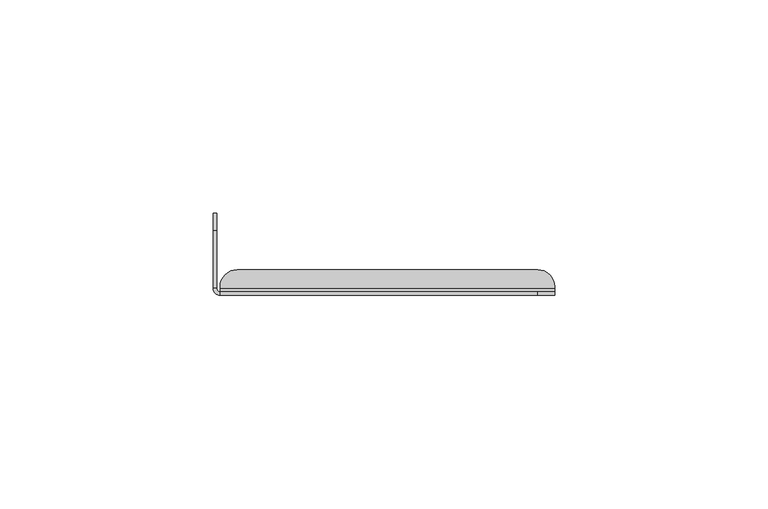
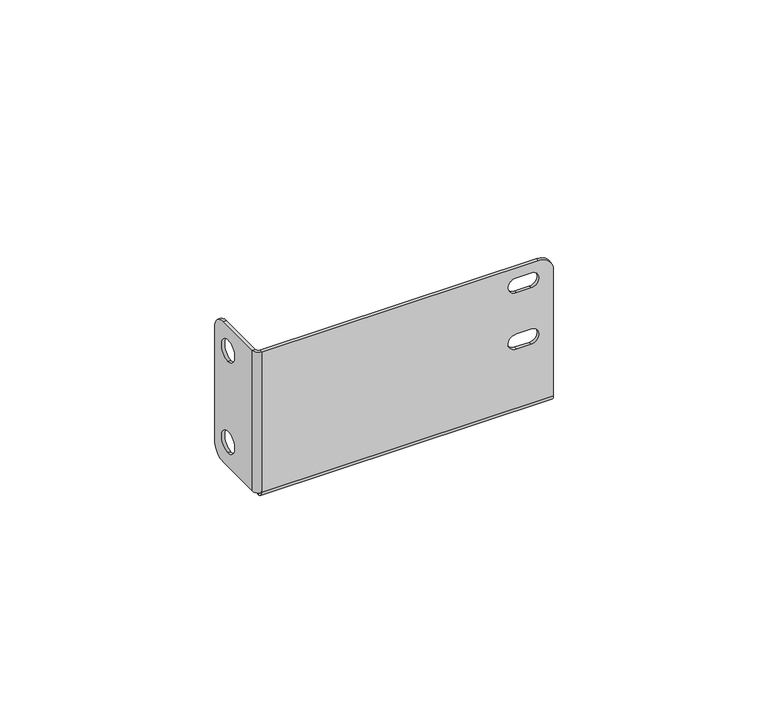
"""IFC4 building model written with IfcOpenShell, lengths in millimetres: proxy geometry."""

from ifc_helpers import new_model, si_unit, frame, origin, place, context, project, spatial, polyline, circle_curve, source, transform, mapped, element, save
from ifc_brep_helpers import plane_surface, cylinder_surface, revolved_surface, advanced_brep


def generic_models_af5c6fd1(model_context):
    return source(origin(), model_context, "Body", "AdvancedBrep", [
        advanced_brep(
        [(0.8, 13.0, 10.0), (0.0, 13.0, 10.0), (0.0, 13.0, 4.0), (0.8, 13.0, 4.0), (0.8, 13.0, 36.0), (0.0, 13.0, 36.0), (0.0, 13.0, 30.0), (0.8, 13.0, 30.0), (80.0, 0.8, 36.0), (76.0, 0.8, 40.0), (76.0, 0.0, 40.0), (80.0, 0.0, 36.0), (1.6, 0.8, 40.0), (1.6, 0.0, 40.0), (80.0, 0.8, 0.0), (1.6, 0.8, 0.0), (74.0, 0.8, 21.1), (70.0, 0.8, 21.1), (70.0, 0.8, 16.9), (74.0, 0.8, 16.9), (74.0, 0.8, 37.1), (70.0, 0.8, 37.1), (70.0, 0.8, 32.9), (74.0, 0.8, 32.9), (80.0, 2.0, -1.6), (76.0, 6.0, -1.6), (76.0, 6.0, -0.8), (80.0, 2.0, -0.8), (80.0, 1.6, -0.8), (80.0, 1.6, -1.6), (5.6, 6.0, -0.8), (1.6, 2.0, -0.8), (1.6, 1.6, -0.8), (5.6, 6.0, -1.6), (1.6, 2.0, -1.6), (1.6, 1.6, -1.6), (0.8, 19.2, 4.0), (0.8, 15.2, 0.0), (0.0, 15.2, 0.0), (0.0, 19.2, 4.0), (0.8, 19.2, 36.0), (0.8, 15.2, 40.0), (0.8, 1.6, 40.0), (0.8, 1.6, 0.0), (0.0, 19.2, 36.0), (0.0, 15.2, 40.0), (80.0, 0.0, 0.0), (1.6, 0.0, 0.0), (74.0, 0.0, 37.1), (70.0, 0.0, 37.1), (74.0, 0.0, 32.9), (70.0, 0.0, 32.9), (74.0, 0.0, 21.1), (70.0, 0.0, 21.1), (74.0, 0.0, 16.9), (70.0, 0.0, 16.9), (0.0, 1.6, 40.0), (0.0, 1.6, 0.0)],
        [
            (0, 1),
            (1, 2, circle_curve(frame((0.0, 13.0, 7.0), z_axis=(-1.0, 0.0, 0.0), x_axis=(0.0, 0.0, 1.0)), 3.0)),
            (2, 3),
            (3, 0, circle_curve(frame((0.8, 13.0, 7.0), z_axis=(1.0, 0.0, 0.0), x_axis=(0.0, 0.0, 1.0)), 3.0)),
            (4, 5),
            (5, 6, circle_curve(frame((0.0, 13.0, 33.0), z_axis=(-1.0, 0.0, 0.0), x_axis=(0.0, 0.0, 1.0)), 3.0)),
            (6, 7),
            (7, 4, circle_curve(frame((0.8, 13.0, 33.0), z_axis=(1.0, 0.0, 0.0), x_axis=(0.0, 0.0, 1.0)), 3.0)),
            (8, 9, circle_curve(frame((76.0, 0.8, 36.0), z_axis=(0.0, -1.0, 0.0), x_axis=(0.7071067811865483, 0.0, 0.7071067811865467)), 4.0)),
            (9, 10),
            (10, 11, circle_curve(frame((76.0, 0.0, 36.0), z_axis=(0.0, 1.0, 0.0), x_axis=(0.7071067811865483, 0.0, 0.7071067811865467)), 4.0)),
            (11, 8),
            (9, 12),
            (12, 13),
            (13, 10),
            (8, 14),
            (14, 15),
            (15, 12),
            (16, 17),
            (17, 18, circle_curve(frame((70.0, 0.8, 19.0), z_axis=(0.0, -1.0, 0.0), x_axis=(0.0, 0.0, 1.0)), 2.1)),
            (18, 19),
            (19, 16, circle_curve(frame((74.0, 0.8, 19.0), z_axis=(0.0, -1.0, 0.0), x_axis=(0.0, 0.0, -1.0)), 2.1)),
            (20, 21),
            (21, 22, circle_curve(frame((70.0, 0.8, 35.0), z_axis=(0.0, -1.0, 0.0), x_axis=(0.0, 0.0, 1.0)), 2.1)),
            (22, 23),
            (23, 20, circle_curve(frame((74.0, 0.8, 35.0), z_axis=(0.0, -1.0, 0.0), x_axis=(0.0, 0.0, -1.0)), 2.1)),
            (24, 25, circle_curve(frame((76.0, 2.0, -1.6), z_axis=(0.0, 0.0, 1.0), x_axis=(0.7071067811865478, 0.7071067811865471, 0.0)), 4.0)),
            (25, 26),
            (26, 27, circle_curve(frame((76.0, 2.0, -0.8), z_axis=(0.0, 0.0, -1.0), x_axis=(0.7071067811865478, 0.7071067811865471, 0.0)), 4.0)),
            (27, 24),
            (27, 28),
            (28, 29),
            (29, 24),
            (26, 30),
            (30, 31, circle_curve(frame((5.6, 2.0, -0.8), z_axis=(0.0, 0.0, 1.0), x_axis=(-0.7071067811865483, 0.7071067811865467, 0.0)), 4.0)),
            (31, 32),
            (32, 28),
            (33, 34, circle_curve(frame((5.6, 2.0, -1.6), z_axis=(0.0, 0.0, 1.0), x_axis=(-0.7071067811865483, 0.7071067811865467, 0.0)), 4.0)),
            (34, 31),
            (30, 33),
            (34, 35),
            (35, 32),
            (36, 37, circle_curve(frame((0.8, 15.2, 4.0), z_axis=(-1.0, 0.0, 0.0), x_axis=(0.0, 0.7071067811865472, -0.7071067811865477)), 4.0)),
            (37, 38),
            (38, 39, circle_curve(frame((0.0, 15.2, 4.0), z_axis=(1.0, 0.0, 0.0), x_axis=(0.0, 0.7071067811865472, -0.7071067811865477)), 4.0)),
            (39, 36),
            (36, 40),
            (40, 41, circle_curve(frame((0.8, 15.2, 36.0), z_axis=(1.0, 0.0, 0.0), x_axis=(0.0, 0.7071067811865479, 0.7071067811865471)), 4.0)),
            (41, 42),
            (42, 43),
            (43, 37),
            (3, 0, circle_curve(frame((0.8, 13.0, 7.0), z_axis=(-1.0, 0.0, 0.0), x_axis=(0.0, 0.0, 1.0)), 3.0)),
            (7, 4, circle_curve(frame((0.8, 13.0, 33.0), z_axis=(-1.0, 0.0, 0.0), x_axis=(0.0, 0.0, 1.0)), 3.0)),
            (39, 44),
            (44, 40),
            (44, 45, circle_curve(frame((0.0, 15.2, 36.0), z_axis=(1.0, 0.0, 0.0), x_axis=(0.0, 0.7071067811865479, 0.7071067811865471)), 4.0)),
            (45, 41),
            (35, 29),
            (29, 46, circle_curve(frame((80.0, 1.6, 0.0), z_axis=(-1.0, 0.0, 0.0), x_axis=(0.0, -1.0, 0.0)), 1.6)),
            (46, 47),
            (47, 35, circle_curve(frame((1.6, 1.6, 0.0), z_axis=(1.0, 0.0, 0.0), x_axis=(0.0, -1.0, 0.0)), 1.6)),
            (28, 14, circle_curve(frame((80.0, 1.6, 0.0), z_axis=(-1.0, 0.0, 0.0), x_axis=(0.0, -1.0, 0.0)), 0.8)),
            (14, 46),
            (47, 15),
            (15, 32, circle_curve(frame((1.6, 1.6, 0.0), z_axis=(1.0, 0.0, 0.0), x_axis=(0.0, -1.0, 0.0)), 0.8)),
            (25, 33),
            (48, 49),
            (49, 21),
            (20, 48),
            (50, 48, circle_curve(frame((74.0, 0.0, 35.0), z_axis=(0.0, -1.0, 0.0), x_axis=(0.0, 0.0, -1.0)), 2.1)),
            (23, 50),
            (49, 51, circle_curve(frame((70.0, 0.0, 35.0), z_axis=(0.0, -1.0, 0.0), x_axis=(0.0, 0.0, 1.0)), 2.1)),
            (51, 22),
            (51, 50),
            (52, 53),
            (53, 17),
            (16, 52),
            (54, 52, circle_curve(frame((74.0, 0.0, 19.0), z_axis=(0.0, -1.0, 0.0), x_axis=(0.0, 0.0, -1.0)), 2.1)),
            (19, 54),
            (53, 55, circle_curve(frame((70.0, 0.0, 19.0), z_axis=(0.0, -1.0, 0.0), x_axis=(0.0, 0.0, 1.0)), 2.1)),
            (55, 18),
            (55, 54),
            (6, 5, circle_curve(frame((0.0, 13.0, 33.0), z_axis=(-1.0, 0.0, 0.0), x_axis=(0.0, 0.0, 1.0)), 3.0)),
            (2, 1, circle_curve(frame((0.0, 13.0, 7.0), z_axis=(-1.0, 0.0, 0.0), x_axis=(0.0, 0.0, 1.0)), 3.0)),
            (47, 13),
            (13, 56, circle_curve(frame((1.6, 1.6, 40.0), z_axis=(0.0, 0.0, -1.0), x_axis=(0.0, -1.0, 0.0)), 1.6)),
            (56, 57),
            (57, 47, circle_curve(frame((1.6, 1.6, 0.0), z_axis=(0.0, 0.0, 1.0), x_axis=(0.0, -1.0, 0.0)), 1.6)),
            (12, 42, circle_curve(frame((1.6, 1.6, 40.0), z_axis=(0.0, 0.0, -1.0), x_axis=(0.0, -1.0, 0.0)), 0.8)),
            (42, 56),
            (46, 11),
            (43, 57),
            (57, 38),
            (45, 56),
            (43, 15, circle_curve(frame((1.6, 1.6, 0.0), z_axis=(0.0, 0.0, 1.0), x_axis=(0.0, -1.0, 0.0)), 0.8)),
        ],
        [
            revolved_surface(polyline([(0.0, 13.0, 10.0), (0.8, 13.0, 10.0)]), (0.4, 13.0, 7.0), (-1.0, 0.0, 0.0)),
            revolved_surface(polyline([(0.0, 13.0, 36.0), (0.8, 13.0, 36.0)]), (0.4, 13.0, 33.0), (-1.0, 0.0, 0.0)),
            cylinder_surface(frame((76.0, 0.0, 36.0), z_axis=(0.0, 1.0, 0.0), x_axis=(0.7071067811865483, 0.0, 0.7071067811865467)), 4.0),
            plane_surface(frame((-0.2095574, 0.0, 40.0), z_axis=(0.0, 0.0, 1.0), x_axis=(0.0, 1.0, 0.0))),
            plane_surface(frame((31.0952213, 0.8, 20.0), z_axis=(0.0, 1.0, 0.0), x_axis=(0.0, 0.0, -1.0))),
            cylinder_surface(frame((76.0, 2.0, -0.8), z_axis=(0.0, 0.0, -0.9999999999999998), x_axis=(0.7071067811865478, 0.7071067811865471, 0.0)), 4.0),
            plane_surface(frame((80.0, 1.6, -0.8), z_axis=(1.0, 0.0, 0.0), x_axis=(0.0, 1.0, 0.0))),
            plane_surface(frame((40.8, 2.8952213, -0.8), z_axis=(0.0, 0.0, 1.0), x_axis=(0.0, -1.0, 0.0))),
            cylinder_surface(frame((5.6, 2.0, -0.8), z_axis=(0.0, 0.0, -1.0), x_axis=(-0.7071067811865483, 0.7071067811865467, 0.0)), 4.0),
            plane_surface(frame((1.6, 1.6, -0.8), z_axis=(-1.0, 0.0, 0.0), x_axis=(0.0, -1.0, 0.0))),
            cylinder_surface(frame((0.0, 15.2, 4.0), z_axis=(0.9999999999999998, 0.0, 0.0), x_axis=(0.0, 0.7071067811865472, -0.7071067811865477)), 4.0),
            plane_surface(frame((0.8, -29.7047787, 20.0), z_axis=(1.0, 0.0, 0.0), x_axis=(0.0, 0.0, -1.0))),
            plane_surface(frame((0.0, 19.2, 40.0), z_axis=(0.0, 1.0, 0.0), x_axis=(0.0, 0.0, 1.0))),
            cylinder_surface(frame((0.0, 15.2, 36.0), z_axis=(1.0, 0.0, 0.0), x_axis=(0.0, 0.7071067811865479, 0.7071067811865471)), 4.0),
            cylinder_surface(frame((40.8, 1.6, 0.0), z_axis=(1.0, 0.0, 0.0), x_axis=(0.0, -1.0, 0.0)), 1.6),
            plane_surface(frame((80.0, 1.6, -0.8), z_axis=(1.0, 0.0, 0.0), x_axis=(0.0, 0.0, -1.0))),
            plane_surface(frame((1.6, 1.6, -1.6), z_axis=(-1.0, 0.0, 0.0), x_axis=(0.0, 0.0, 1.0))),
            plane_surface(frame((80.0, 6.0, -0.8), z_axis=(0.0, 1.0, 0.0), x_axis=(-1.0, 0.0, 0.0))),
            plane_surface(frame((40.8, 2.8952213, -1.6), z_axis=(0.0, 0.0, -1.0), x_axis=(0.0, -1.0, 0.0))),
            revolved_surface(polyline([(80.0, 0.8, 0.0), (1.6000000000000014, 0.8, 0.0)]), (40.8, 1.6, 0.0), (1.0, 0.0, 0.0)),
            plane_surface(frame((70.0, 0.0, 37.1), z_axis=(0.0, 0.0, -1.0), x_axis=(1.0, 0.0, 0.0))),
            revolved_surface(polyline([(74.0, 0.8, 32.9), (74.0, 0.0, 32.9)]), (74.0, 0.0, 35.0), (0.0, 1.0, 0.0)),
            revolved_surface(polyline([(70.0, 0.8, 37.1), (70.0, 0.0, 37.1)]), (70.0, 0.0, 35.0), (0.0, 1.0, 0.0)),
            plane_surface(frame((74.0, 0.0, 32.9), z_axis=(0.0, 0.0, 1.0), x_axis=(-1.0, 0.0, 0.0))),
            plane_surface(frame((70.0, 0.0, 21.1), z_axis=(0.0, 0.0, -1.0), x_axis=(1.0, 0.0, 0.0))),
            revolved_surface(polyline([(74.0, 0.8, 16.9), (74.0, 0.0, 16.9)]), (74.0, 0.0, 19.0), (0.0, 1.0, 0.0)),
            revolved_surface(polyline([(70.0, 0.8, 21.1), (70.0, 0.0, 21.1)]), (70.0, 0.0, 19.0), (0.0, 1.0, 0.0)),
            plane_surface(frame((74.0, 0.0, 16.9), z_axis=(0.0, 0.0, 1.0), x_axis=(-1.0, 0.0, 0.0))),
            cylinder_surface(frame((1.6, 1.6, 40.0), z_axis=(0.0, 0.0, 1.0), x_axis=(0.0, -1.0, 0.0)), 1.6),
            plane_surface(frame((1.6, 0.8, 40.0), z_axis=(0.0, 0.0, 1.0), x_axis=(1.0, 0.0, 0.0))),
            plane_surface(frame((31.0952213, 0.0, 20.0), z_axis=(0.0, -1.0, 0.0), x_axis=(0.0, 0.0, -1.0))),
            plane_surface(frame((0.0, -0.2095574, 0.0), z_axis=(0.0, 0.0, -1.0), x_axis=(-1.0, 0.0, 0.0))),
            plane_surface(frame((0.0, 1.6, 40.0), z_axis=(0.0, 0.0, 1.0), x_axis=(1.0, 0.0, 0.0))),
            plane_surface(frame((1.6, 0.0, 0.0), z_axis=(0.0, 0.0, -1.0), x_axis=(-1.0, 0.0, 0.0))),
            plane_surface(frame((80.0, 0.0, 0.0), z_axis=(1.0, 0.0, 0.0), x_axis=(0.0, 0.0, -1.0))),
            revolved_surface(polyline([(1.6, 0.8, 40.0), (1.6, 0.8, 0.0)]), (1.6, 1.6, 0.0), (0.0, 0.0, 1.0)),
            plane_surface(frame((0.0, -29.7047787, 20.0), z_axis=(-1.0, 0.0, 0.0), x_axis=(0.0, 0.0, -1.0))),
        ],
        [
            (0, [[1, 2, 3, 4]]),
            (1, [[5, 6, 7, 8]]),
            (2, [[9, 10, 11, 12]]),
            (3, [[-10, 13, 14, 15]]),
            (4, [[-9, 16, 17, 18, -13], [19, 20, 21, 22], [23, 24, 25, 26]]),
            (5, [[27, 28, 29, 30]]),
            (6, [[-30, 31, 32, 33]]),
            (7, [[-29, 34, 35, 36, 37, -31]]),
            (8, [[38, 39, -35, 40]]),
            (9, [[-39, 41, 42, -36]]),
            (10, [[43, 44, 45, 46]]),
            (11, [[-43, 47, 48, 49, 50, 51], [-4, 52], [-8, 53]]),
            (12, [[-46, 54, 55, -47]]),
            (13, [[-48, -55, 56, 57]]),
            (14, [[58, 59, 60, 61]]),
            (15, [[-32, 62, 63, -59]]),
            (16, [[-42, -61, 64, 65]]),
            (17, [[-28, 66, -40, -34]]),
            (18, [[-27, -33, -58, -41, -38, -66]]),
            (19, [[-37, -65, -17, -62]]),
            (20, [[67, 68, -23, 69]]),
            (21, [[70, -69, -26, 71]]),
            (22, [[72, 73, -24, -68]]),
            (23, [[74, -71, -25, -73]]),
            (24, [[75, 76, -19, 77]]),
            (25, [[78, -77, -22, 79]]),
            (26, [[80, 81, -20, -76]]),
            (27, [[82, -79, -21, -81]]),
            (1, [[-5, -53, -7, 83]]),
            (0, [[-1, -52, -3, 84]]),
            (28, [[85, 86, 87, 88]]),
            (29, [[-14, 89, 90, -86]]),
            (30, [[-11, -15, -85, -60, 91], [-67, -70, -74, -72], [-75, -78, -82, -80]]),
            (31, [[-44, -51, 92, 93]]),
            (32, [[-57, 94, -90, -49]]),
            (33, [[-64, -88, -92, 95]]),
            (34, [[-12, -91, -63, -16]]),
            (35, [[-18, -95, -50, -89]]),
            (36, [[-45, -93, -87, -94, -56, -54], [-83, -6], [-84, -2]]),
        ],
    ),
    ])


if __name__ == "__main__":
    model = new_model("IFC4")
    model_context = context("Model", 3, world=origin())
    ifc_project = project(units=[si_unit("LENGTHUNIT", "METRE", prefix="MILLI")], contexts=[model_context])
    site = spatial("IfcSite", under=ifc_project)
    building = spatial("IfcBuilding", under=site)
    placement = place(None, origin())
    generic_models_shape = generic_models_af5c6fd1(model_context)
    element("IfcBuildingElementProxy", 1, Name="Generic Models", at=placement, inside=building, context=model_context, shape_type="MappedRepresentation", body=[
        mapped(generic_models_shape, transform((0.0, 0.0, 0.0), x_axis=(1.0, 0.0, 0.0), y_axis=(0.0, 1.0, 0.0), z_axis=(0.0, 0.0, 1.0))),
    ])
    save(model, "model.ifc")
